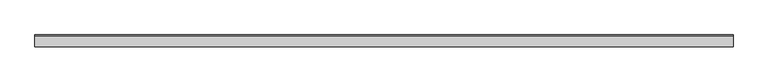
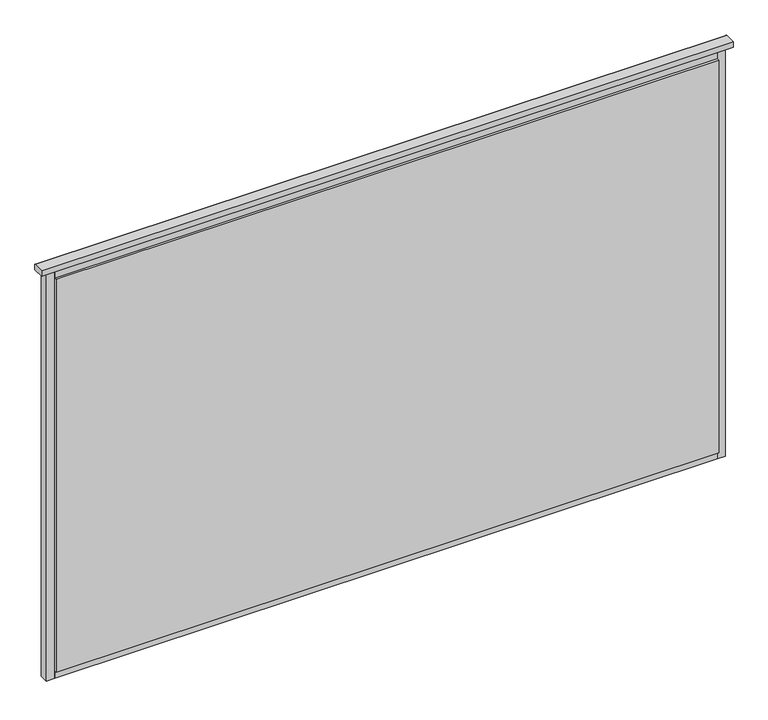
"""IFC4 building model written with IfcOpenShell, lengths in millimetres: plate geometry."""

from ifc_helpers import new_model, si_unit, point, frame, frame_2d, origin, place, context, project, spatial, polyline, circle_curve, trimmed, segment, composite_curve, outline, extrude, source, transform, mapped, element, save
from ifc_brep_helpers import plane_surface, cylinder_surface, advanced_brep


def plate_9c3de34f(model_context):
    return source(origin(), model_context, "Body", "SolidModel", [
        advanced_brep(
        [(837.186138, 13.8070793, 1036.0002427), (837.186138, 13.8070793, 1048.4999993), (837.186138, 12.3070793, 1049.9999993), (837.186138, -14.0, 1049.9999993), (837.186138, -14.0, 1035.0), (837.186138, 12.8070793, 1035.0), (-837.186138, 13.8070793, 1036.0002427), (-837.186138, 12.8070793, 1035.0002427), (-837.186138, -14.0, 1035.0), (-837.186138, -14.0, 1049.9999993), (-837.186138, 12.3070793, 1049.9999993), (-837.186138, 13.8070793, 1048.4999993)],
        [
            (0, 1),
            (1, 2, circle_curve(frame((837.186138, 12.3070793, 1048.4999993), z_axis=(1.0, 0.0, 0.0), x_axis=(0.0, 1.0, 0.0)), 1.5)),
            (2, 3),
            (3, 4),
            (4, 5),
            (5, 0, circle_curve(frame((837.186138, 12.8070793, 1036.0002427), z_axis=(1.0, 0.0, 0.0), x_axis=(0.0, 1.0, 0.0)), 1.0)),
            (6, 7, circle_curve(frame((-837.186138, 12.8070793, 1036.0002427), z_axis=(-1.0, 0.0, 0.0), x_axis=(0.0, 1.0, 0.0)), 1.0)),
            (7, 8),
            (8, 9),
            (9, 10),
            (10, 11, circle_curve(frame((-837.186138, 12.3070793, 1048.4999993), z_axis=(-1.0, 0.0, 0.0), x_axis=(0.0, 1.0, 0.0)), 1.5)),
            (11, 6),
            (0, 6),
            (11, 1),
            (10, 2),
            (9, 3),
            (8, 4),
            (7, 5),
        ],
        [
            plane_surface(frame((837.186138, 13.8070793, 1048.4999993), z_axis=(1.0, 0.0, 0.0), x_axis=(0.0, 0.0, 1.0))),
            plane_surface(frame((-837.186138, 13.8070793, 1048.4999993), z_axis=(-1.0, 0.0, 0.0), x_axis=(0.0, 0.0, -1.0))),
            plane_surface(frame((837.186138, 13.8070793, 1036.0002427), z_axis=(0.0, 1.0, 0.0), x_axis=(-1.0, 0.0, 0.0))),
            cylinder_surface(frame((-837.186138, 12.3070793, 1048.4999993), z_axis=(1.0, 0.0, 0.0), x_axis=(0.0, 1.0, 0.0)), 1.5),
            plane_surface(frame((837.186138, 12.3070793, 1049.9999993), z_axis=(0.0, 0.0, 1.0), x_axis=(-1.0, 0.0, 0.0))),
            plane_surface(frame((837.186138, -14.0, 1049.9999993), z_axis=(0.0, -1.0, 0.0), x_axis=(-1.0, 0.0, 0.0))),
            plane_surface(frame((837.186138, -14.0, 1035.0), z_axis=(0.0, 0.0, -1.0), x_axis=(-1.0, 0.0, 0.0))),
            cylinder_surface(frame((-837.186138, 12.8070793, 1036.0002427), z_axis=(1.0, 0.0, 0.0), x_axis=(0.0, 1.0, 0.0)), 1.0),
        ],
        [
            (0, [[1, 2, 3, 4, 5, 6]]),
            (1, [[7, 8, 9, 10, 11, 12]]),
            (2, [[-1, 13, -12, 14]]),
            (3, [[-2, -14, -11, 15]]),
            (4, [[-3, -15, -10, 16]]),
            (5, [[-4, -16, -9, 17]]),
            (6, [[-5, -17, -8, 18]]),
            (7, [[-6, -18, -7, -13]]),
        ],
    ),
        extrude(outline(polyline([(802.186138, 14.0), (802.186138, 8.0), (-802.186138, 8.0), (-802.186138, 14.0), (802.186138, 14.0)])), frame((0.0, 0.0, 10.0), z_axis=(0.0, 0.0, 1.0), x_axis=(1.0, 0.0, 0.0)), (0.0, 0.0, 1.0), 1005.0),
        extrude(outline(polyline([(802.186138, -8.0), (802.186138, -14.0), (-802.186138, -14.0), (-802.186138, -8.0), (802.186138, -8.0)])), frame((0.0, 0.0, 10.0), z_axis=(0.0, 0.0, 1.0), x_axis=(1.0, 0.0, 0.0)), (0.0, 0.0, 1.0), 1005.0),
        extrude(outline(composite_curve([segment(polyline([(13.499631, -10.0), (-8.0, -10.0), (-8.0, 10.0), (13.499631, 10.0)]), True, "CONTINUOUS"), segment(trimmed(circle_curve(frame_2d((45.6328576, 0.0)), 33.6532948), [point((13.499631, 10.0))], [point((13.499631, -10.0))], True, "CARTESIAN"), True, "CONTINUOUS")], self_intersect=False)), frame((-802.186138, 0.0, 0.0), z_axis=(1.0, 0.0, 0.0), x_axis=(0.0, 1.0, 0.0)), (0.0, 0.0, 1.0), 1604.3722759),
        extrude(outline(composite_curve([segment(trimmed(circle_curve(frame_2d((45.6328576, 1025.0)), 33.6532948), [point((13.499631, 1035.0))], [point((13.499631, 1015.0))], True, "CARTESIAN"), True, "CONTINUOUS"), segment(polyline([(13.499631, 1015.0), (-8.0, 1015.0), (-8.0, 1035.0), (13.499631, 1035.0)]), True, "CONTINUOUS")], self_intersect=False)), frame((-802.186138, 0.0, 0.0), z_axis=(1.0, 0.0, 0.0), x_axis=(0.0, 1.0, 0.0)), (0.0, 0.0, 1.0), 1604.3722759),
        extrude(outline(composite_curve([segment(polyline([(822.186138, -8.0), (802.186138, -8.0), (802.186138, 13.5022002)]), True, "CONTINUOUS"), segment(trimmed(circle_curve(frame_2d((812.1126262, 45.5022747)), 33.5043271), [point((802.186138, 13.5022002))], [point((822.186138, 13.548178))], True, "CARTESIAN"), True, "CONTINUOUS"), segment(polyline([(822.186138, 13.548178), (822.186138, -8.0)]), True, "CONTINUOUS")], self_intersect=False)), frame((0.0, 0.0, -10.0), z_axis=(0.0, 0.0, 1.0), x_axis=(1.0, 0.0, 0.0)), (0.0, 0.0, 1.0), 1045.0),
        extrude(outline(composite_curve([segment(polyline([(-802.186138, -8.0), (-822.186138, -8.0), (-822.186138, 13.499631)]), True, "CONTINUOUS"), segment(trimmed(circle_curve(frame_2d((-812.186138, 45.6328576)), 33.6532948), [point((-822.186138, 13.499631))], [point((-802.186138, 13.499631))], True, "CARTESIAN"), True, "CONTINUOUS"), segment(polyline([(-802.186138, 13.499631), (-802.186138, -8.0)]), True, "CONTINUOUS")], self_intersect=False)), frame((0.0, 0.0, -10.0), z_axis=(0.0, 0.0, 1.0), x_axis=(1.0, 0.0, 0.0)), (0.0, 0.0, 1.0), 1045.0),
    ])


if __name__ == "__main__":
    model = new_model("IFC4")
    model_context = context("Model", 3, world=origin())
    ifc_project = project(units=[si_unit("LENGTHUNIT", "METRE", prefix="MILLI")], contexts=[model_context])
    site = spatial("IfcSite", under=ifc_project)
    building = spatial("IfcBuilding", under=site)
    placement = place(None, origin())
    plate_shape = plate_9c3de34f(model_context)
    element("IfcPlate", 1, at=placement, inside=building, context=model_context, shape_type="MappedRepresentation", body=[
        mapped(plate_shape, transform((0.0, 0.0, 0.0), x_axis=(1.0, 0.0, 0.0), y_axis=(0.0, 1.0, 0.0), z_axis=(0.0, 0.0, 1.0))),
    ])
    save(model, "model.ifc")
